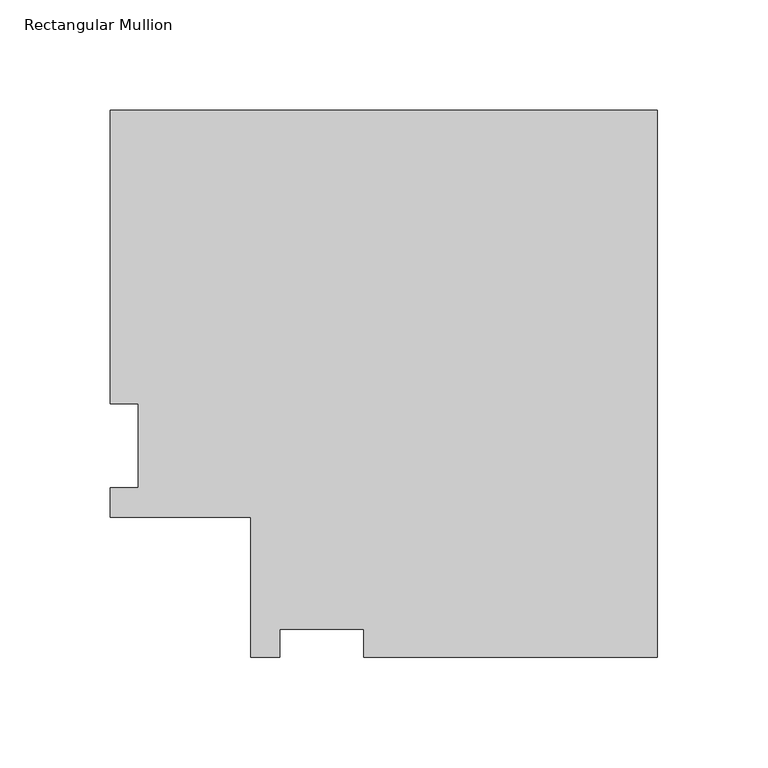
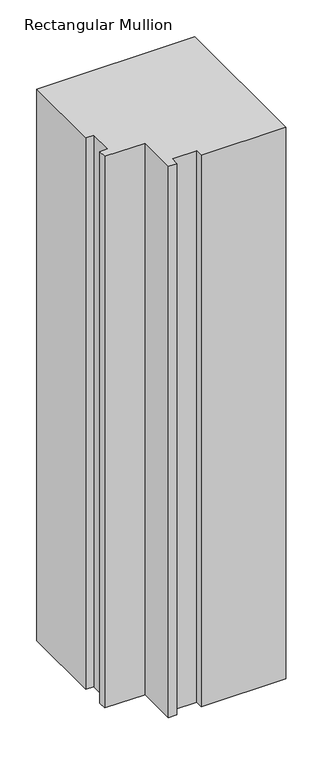
"""IFC4 building model written with IfcOpenShell, lengths in millimetres: member geometry, Rectangular Mullion."""

from ifc_helpers import new_model, si_unit, frame, origin, place, context, project, spatial, polyline, outline, extrude, source, transform, mapped, element, save


def rectangular_mullion_6411523a(model_context):
    return source(origin(), model_context, "Body", "SweptSolid", [
        extrude(outline(polyline([(0.0, 184.2396938), (0.0, -63.4865063), (-132.9527182, -63.4865063), (-132.9527182, -50.7865063), (-171.0527182, -50.7865063), (-171.0527182, -63.4865062), (-184.2353182, -63.4865062), (-184.2353182, 0.0134937), (-247.7353182, 0.0134937), (-247.7353182, 13.1960938), (-235.0353182, 13.1960938), (-235.0353182, 51.2960937), (-247.7353182, 51.2960937), (-247.7353182, 184.2396938), (0.0, 184.2396938)])), frame((0.0, 0.0, -914.4), z_axis=(0.0, 0.0, 1.0), x_axis=(1.0, 0.0, 0.0)), (0.0, 0.0, 1.0), 914.4),
    ])


if __name__ == "__main__":
    model = new_model("IFC4")
    model_context = context("Model", 3, world=origin())
    ifc_project = project(units=[si_unit("LENGTHUNIT", "METRE", prefix="MILLI")], contexts=[model_context])
    site = spatial("IfcSite", under=ifc_project)
    building = spatial("IfcBuilding", under=site)
    placement = place(None, origin())
    rectangular_mullion_shape = rectangular_mullion_6411523a(model_context)
    element("IfcMember", 1, ObjectType="Rectangular Mullion", at=placement, inside=building, context=model_context, shape_type="MappedRepresentation", body=[
        mapped(rectangular_mullion_shape, transform((0.0, 0.0, 0.0), x_axis=(1.0, 0.0, 0.0), y_axis=(0.0, 1.0, 0.0), z_axis=(0.0, 0.0, 1.0))),
    ])
    save(model, "model.ifc")
